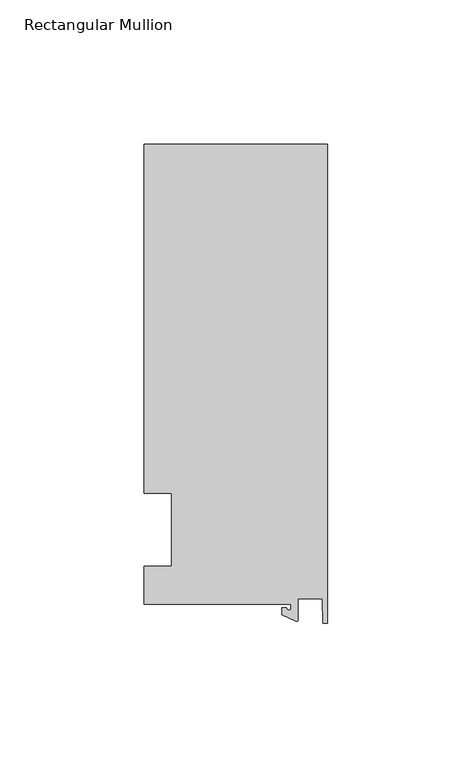
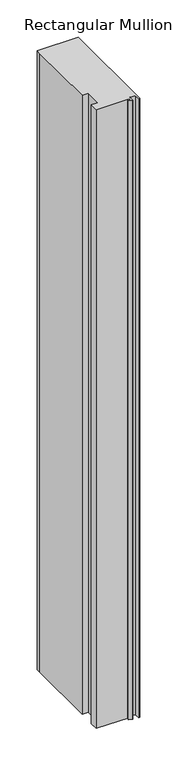
"""IFC4 building model written with IfcOpenShell, lengths in millimetres: member geometry, Rectangular Mullion."""

import ifcopenshell
import ifcopenshell.guid

model = None  # the IFC model being written
_history = None  # IfcOwnerHistory: only IFC2X3 demands one
_inside = {}  # id of a spatial element -> (the spatial element, [elements in it])
_under = {}  # id of a project, library or spatial element -> (it, [spatial elements below it])
_declared = {}  # id of a project -> (the project, [libraries it declares])
_typed = {}  # id of a type object -> (the type object, [elements of that type])
_made_of = {}  # id of a material, layer set ... -> (it, [elements and type objects made of it])


def new_model(schema):
    """Start an empty IFC model of exactly this schema.

    Asked for "IFC4X3", IfcOpenShell would pick the latest addendum, in which some entities
    have other attributes; the version numbers below select the first issue.
    IFC2X3 requires an IfcOwnerHistory on every rooted entity: one is made here for all.
    """
    global model, _history
    if schema == "IFC4X3":
        model = ifcopenshell.file(schema_version=(4, 3, 0, 0))
    else:
        model = ifcopenshell.file(schema=schema)
    _inside.clear()
    _under.clear()
    _declared.clear()
    _typed.clear()
    _made_of.clear()
    _history = None
    if model.schema == "IFC2X3":
        org = make("IfcOrganization", Name="unknown")
        user = make(
            "IfcPersonAndOrganization",
            ThePerson=make("IfcPerson", FamilyName="unknown"),
            TheOrganization=org,
        )
        app = make(
            "IfcApplication",
            ApplicationDeveloper=org,
            Version="unknown",
            ApplicationFullName="unknown",
            ApplicationIdentifier="unknown",
        )
        _history = make(
            "IfcOwnerHistory",
            OwningUser=user,
            OwningApplication=app,
            ChangeAction="ADDED",
            CreationDate=0,
        )
    return model


def make(cls, **values):
    """One entity of the class cls with the attributes given. An attribute that is None is left unset."""
    return model.create_entity(
        cls, **{name: value for name, value in values.items() if value is not None}
    )


def rooted(cls, **values):
    """An entity with a GlobalId (a new one), such as an element, a storey or a relation."""
    return make(cls, GlobalId=ifcopenshell.guid.new(), OwnerHistory=_history, **values)


def si_unit(unit_type, name, prefix=None):
    """IfcSIUnit, for example si_unit("LENGTHUNIT", "METRE", prefix="MILLI")."""
    return make("IfcSIUnit", UnitType=unit_type, Prefix=prefix, Name=name)


def assignment(units):
    """IfcUnitAssignment: the units of a project."""
    return None if units is None else make("IfcUnitAssignment", Units=units)


def point(xyz):
    """IfcCartesianPoint."""
    return None if xyz is None else make("IfcCartesianPoint", Coordinates=xyz)


def direction(xyz):
    """IfcDirection."""
    return None if xyz is None else make("IfcDirection", DirectionRatios=xyz)


def frame(location, z_axis=None, x_axis=None):
    """IfcAxis2Placement3D, a coordinate frame: its origin and axes. An axis left out is left unset."""
    return make(
        "IfcAxis2Placement3D",
        Location=point(location),
        Axis=direction(z_axis),
        RefDirection=direction(x_axis),
    )


def frame_2d(location, x_axis=None):
    """IfcAxis2Placement2D, a coordinate frame in the plane: its origin and x axis."""
    return make(
        "IfcAxis2Placement2D", Location=point(location), RefDirection=direction(x_axis)
    )


def origin():
    """The frame at (0, 0, 0) with its axes left unset."""
    return frame((0.0, 0.0, 0.0))


def place(relative_to, where):
    """IfcLocalPlacement: puts the frame where relative to a parent placement (None: the world)."""
    return make(
        "IfcLocalPlacement", PlacementRelTo=relative_to, RelativePlacement=where
    )


def context(
    kind, dimensions, precision=None, world=None, true_north=None, identifier=None
):
    """IfcGeometricRepresentationContext, for example the 3D "Model" context."""
    return make(
        "IfcGeometricRepresentationContext",
        ContextIdentifier=identifier,
        ContextType=kind,
        CoordinateSpaceDimension=dimensions,
        Precision=precision,
        WorldCoordinateSystem=world,
        TrueNorth=true_north,
    )


def project(units=None, contexts=None):
    """IfcProject with its units and contexts."""
    return rooted(
        "IfcProject",
        Name="project",
        RepresentationContexts=contexts,
        UnitsInContext=assignment(units),
    )


def spatial(cls, under=None, at=None, **own):
    """A site, building, storey or space (cls), placed at a placement, below another one or the project."""
    s = rooted(cls, ObjectPlacement=at, **own)
    if under is not None:
        _under.setdefault(under.id(), (under, []))[1].append(s)
    return s


def polyline(points):
    """IfcPolyline through the points."""
    return make("IfcPolyline", Points=[point(p) for p in points])


def circle_curve(where, radius):
    """IfcCircle in the frame where."""
    return make("IfcCircle", Position=where, Radius=radius)


def trimmed(basis, trim1, trim2, sense, master):
    """IfcTrimmedCurve: the piece of a basis curve between two trims."""
    return make(
        "IfcTrimmedCurve",
        BasisCurve=basis,
        Trim1=trim1,
        Trim2=trim2,
        SenseAgreement=sense,
        MasterRepresentation=master,
    )


def segment(curve, same_sense, transition):
    """IfcCompositeCurveSegment."""
    return make(
        "IfcCompositeCurveSegment",
        Transition=transition,
        SameSense=same_sense,
        ParentCurve=curve,
    )


def composite_curve(segments, self_intersect=None):
    """IfcCompositeCurve: segments joined end to end."""
    return make("IfcCompositeCurve", Segments=segments, SelfIntersect=self_intersect)


def outline(outer, holes=None, kind="AREA"):
    """IfcArbitraryClosedProfileDef: a profile drawn as a closed curve; with holes, ...WithVoids."""
    if holes is None:
        return make("IfcArbitraryClosedProfileDef", ProfileType=kind, OuterCurve=outer)
    return make(
        "IfcArbitraryProfileDefWithVoids",
        ProfileType=kind,
        OuterCurve=outer,
        InnerCurves=holes,
    )


def extrude(swept, where, along, depth):
    """IfcExtrudedAreaSolid: the profile swept, set in the frame where, extruded along a direction by depth."""
    return make(
        "IfcExtrudedAreaSolid",
        SweptArea=swept,
        Position=where,
        ExtrudedDirection=direction(along),
        Depth=depth,
    )


def shape(context_of_items, identifier, shape_type, items):
    """IfcShapeRepresentation: the items that make up one representation, for example the "Body"."""
    return make(
        "IfcShapeRepresentation",
        ContextOfItems=context_of_items,
        RepresentationIdentifier=identifier,
        RepresentationType=shape_type,
        Items=items,
    )


def source(mapping_origin, context_of_items, identifier, shape_type, items):
    """IfcRepresentationMap: a shape defined once, which mapped items show again and again."""
    return make(
        "IfcRepresentationMap",
        MappingOrigin=mapping_origin,
        MappedRepresentation=shape(context_of_items, identifier, shape_type, items),
    )


def transform(
    local_origin,
    x_axis=None,
    y_axis=None,
    z_axis=None,
    scale=None,
    scale2=None,
    scale3=None,
    uniform=True,
):
    """IfcCartesianTransformationOperator3D, or its non-uniform kind. x_axis, y_axis, z_axis: its Axis1, 2, 3."""
    if uniform:
        return make(
            "IfcCartesianTransformationOperator3D",
            Axis1=direction(x_axis),
            Axis2=direction(y_axis),
            LocalOrigin=point(local_origin),
            Scale=scale,
            Axis3=direction(z_axis),
        )
    return make(
        "IfcCartesianTransformationOperator3DnonUniform",
        Axis1=direction(x_axis),
        Axis2=direction(y_axis),
        LocalOrigin=point(local_origin),
        Scale=scale,
        Axis3=direction(z_axis),
        Scale2=scale2,
        Scale3=scale3,
    )


def mapped(mapping_source, mapping_target):
    """IfcMappedItem: shows the shape of a source again, moved by a transform."""
    return make(
        "IfcMappedItem", MappingSource=mapping_source, MappingTarget=mapping_target
    )


def made_of(thing, what):
    """Note that an element or type object is made of a material, layer set ...; save() writes the relation."""
    if what is not None:
        _made_of.setdefault(what.id(), (what, []))[1].append(thing)
    return thing


def element(
    cls,
    number,
    at=None,
    inside=None,
    cuts=None,
    type_object=None,
    material=None,
    context=None,
    identifier="Body",
    shape_type=None,
    held_by="IfcProductDefinitionShape",
    body=None,
    shapes=None,
    **own,
):
    """One element of the class cls, such as IfcWall. Its Tag is "e" and its number.

    at: its placement. inside: the storey or other place that contains it. cuts: it is an
    opening in that element (IfcRelVoidsElement). A single representation is given by context,
    identifier, shape_type and body (its items); several are given by shapes. held_by: the class
    of the entity that holds the representations. save() writes the other relations.
    """
    e = rooted(cls, Tag="e%d" % number, ObjectPlacement=at, **own)
    if body is not None:
        shapes = [shape(context, identifier, shape_type, body)]
    if shapes is not None:
        e.Representation = make(held_by, Representations=shapes)
    if inside is not None:
        _inside.setdefault(inside.id(), (inside, []))[1].append(e)
    if cuts is not None:
        rooted(
            "IfcRelVoidsElement", RelatingBuildingElement=cuts, RelatedOpeningElement=e
        )
    if type_object is not None:
        _typed.setdefault(type_object.id(), (type_object, []))[1].append(e)
    return made_of(e, material)


def aggregate(whole, parts):
    """IfcRelAggregates: a whole, such as a stair, and the parts it consists of."""
    return rooted("IfcRelAggregates", RelatingObject=whole, RelatedObjects=parts)


def save(model, path):
    """Write the relations noted so far, then the file.

    IfcRelAggregates (storeys below a building ...), IfcRelContainedInSpatialStructure (elements
    in a storey), IfcRelDefinesByType, IfcRelAssociatesMaterial and IfcRelDeclares: one each for
    every whole, place, type object, material and project.
    """
    for whole, parts in _under.values():
        aggregate(whole, parts)
    for where, things in _inside.values():
        rooted(
            "IfcRelContainedInSpatialStructure",
            RelatedElements=things,
            RelatingStructure=where,
        )
    for kind, things in _typed.values():
        rooted("IfcRelDefinesByType", RelatedObjects=things, RelatingType=kind)
    for what, things in _made_of.values():
        rooted("IfcRelAssociatesMaterial", RelatedObjects=things, RelatingMaterial=what)
    for by, libraries in _declared.values():
        rooted("IfcRelDeclares", RelatingContext=by, RelatedDefinitions=libraries)
    model.write(path)


def rectangular_mullion_f9abd038(model_context):
    return source(origin(), model_context, "Body", "SweptSolid", [
        extrude(outline(composite_curve([segment(polyline([(-12.6173814, -25.796875), (-63.5, -25.796875), (-63.5, -12.7), (-53.975, -12.7), (-53.975, 12.7), (-63.5, 12.7), (-63.5, 125.8114907), (-63.5, 133.34365), (0.0, 133.34365), (0.0, -32.288874), (-1.5658966, -32.288874), (-1.7144124, -23.9227662), (-10.2297814, -23.9227662), (-10.2297814, -31.2414327)]), True, "CONTINUOUS"), segment(trimmed(circle_curve(frame_2d((-10.7377814, -31.2414327)), 0.508), [point((-10.2297814, -31.2414327))], [point((-10.9524715, -31.7018371))], False, "CARTESIAN"), True, "CONTINUOUS"), segment(polyline([(-10.9524715, -31.7018371), (-15.7923814, -29.44495), (-15.7923814, -27.0827507), (-14.2048814, -27.0827507)]), True, "CONTINUOUS"), segment(trimmed(circle_curve(frame_2d((-13.4111314, -27.0827507)), 0.79375), [point((-14.2048814, -27.0827507))], [point((-12.6173814, -27.0827507))], True, "CARTESIAN"), True, "CONTINUOUS"), segment(polyline([(-12.6173814, -27.0827507), (-12.6173814, -25.796875)]), True, "CONTINUOUS")], self_intersect=False)), frame((0.0, 0.0, -1016.0), z_axis=(0.0, 0.0, 1.0), x_axis=(1.0, 0.0, 0.0)), (0.0, 0.0, 1.0), 1016.0),
    ])


if __name__ == "__main__":
    model = new_model("IFC4")
    model_context = context("Model", 3, world=origin())
    ifc_project = project(units=[si_unit("LENGTHUNIT", "METRE", prefix="MILLI")], contexts=[model_context])
    site = spatial("IfcSite", under=ifc_project)
    building = spatial("IfcBuilding", under=site)
    placement = place(None, origin())
    rectangular_mullion_shape = rectangular_mullion_f9abd038(model_context)
    element("IfcMember", 1, ObjectType="Rectangular Mullion", at=placement, inside=building, context=model_context, shape_type="MappedRepresentation", body=[
        mapped(rectangular_mullion_shape, transform((0.0, 0.0, 0.0), x_axis=(1.0, 0.0, 0.0), y_axis=(0.0, 1.0, 0.0), z_axis=(0.0, 0.0, 1.0))),
    ])
    save(model, "model.ifc")
